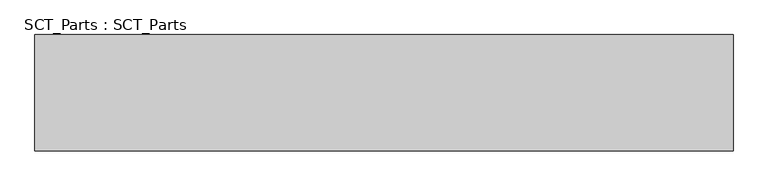
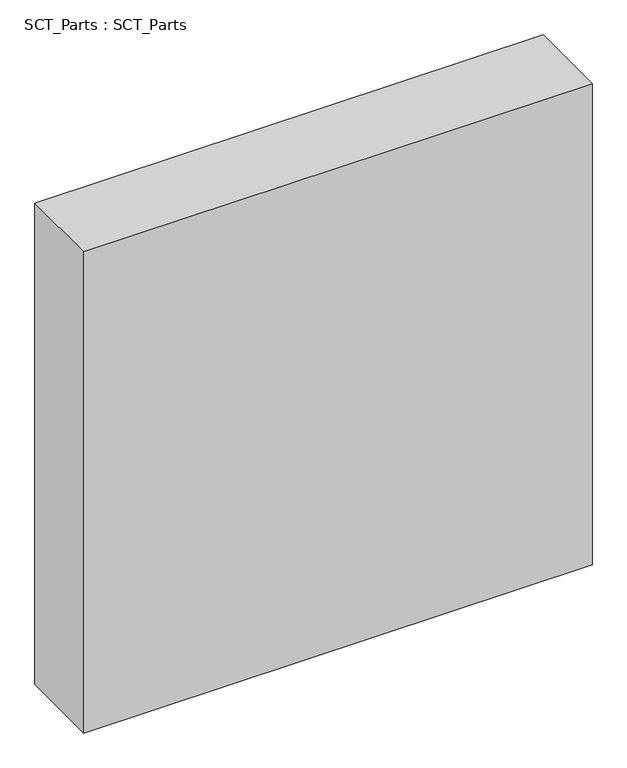
"""IFC4 building model written with IfcOpenShell, lengths in millimetres: proxy geometry, SCT_Parts : SCT_Parts."""

from ifc_helpers import new_model, si_unit, frame, origin, place, context, project, spatial, polyline, outline, extrude, source, transform, mapped, element, save


def sct_parts_sct_parts_122b6d26(model_context):
    return source(origin(), model_context, "Body", "SweptSolid", [
        extrude(outline(polyline([(3000.0, 500.0), (3000.0, 0.0), (0.0, 0.0), (0.0, 500.0), (3000.0, 500.0)])), frame((0.0, 0.0, 8000.0), z_axis=(0.0, 0.0, 1.0), x_axis=(1.0, 0.0, 0.0)), (0.0, 0.0, 1.0), 3000.0),
    ])


if __name__ == "__main__":
    model = new_model("IFC4")
    model_context = context("Model", 3, world=origin())
    ifc_project = project(units=[si_unit("LENGTHUNIT", "METRE", prefix="MILLI")], contexts=[model_context])
    site = spatial("IfcSite", under=ifc_project)
    building = spatial("IfcBuilding", under=site)
    placement = place(None, origin())
    sct_parts_sct_parts_shape = sct_parts_sct_parts_122b6d26(model_context)
    element("IfcBuildingElementProxy", 1, Name="SCT_Parts : SCT_Parts", ObjectType="SCT_Parts : SCT_Parts", at=placement, inside=building, context=model_context, shape_type="MappedRepresentation", body=[
        mapped(sct_parts_sct_parts_shape, transform((0.0, 0.0, 0.0), x_axis=(1.0, 0.0, 0.0), y_axis=(0.0, 1.0, 0.0), z_axis=(0.0, 0.0, 1.0))),
    ])
    save(model, "model.ifc")
